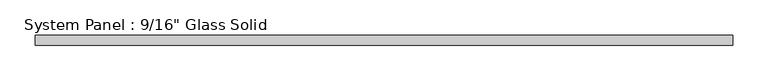
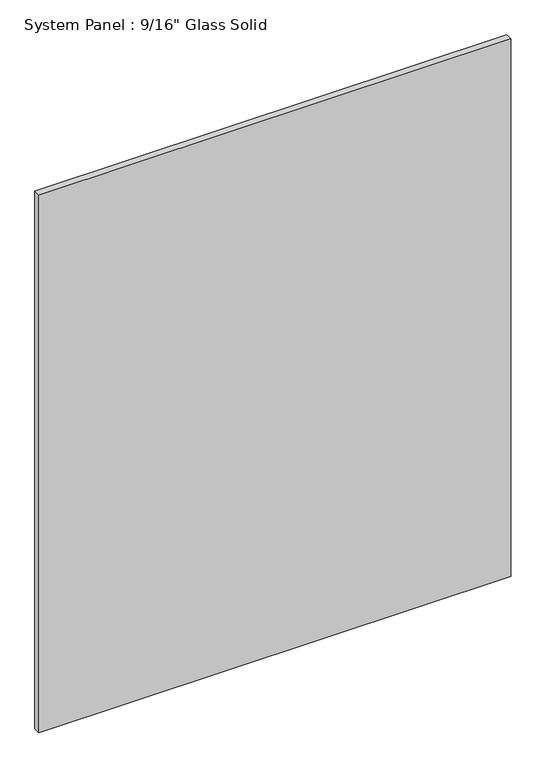
"""IFC4 building model written with IfcOpenShell, lengths in millimetres: plate geometry."""

from ifc_helpers import new_model, si_unit, origin, origin_with_axes, place, context, project, spatial, polyline, outline, extrude, source, transform, mapped, element, save


def plate_69ee796d(model_context):
    return source(origin(), model_context, "Body", "SweptSolid", [
        extrude(outline(polyline([(495.3008852, -7.14375), (-495.3008852, -7.14375), (-495.3008852, 7.14375), (495.3008852, 7.14375), (495.3008852, -7.14375)])), origin_with_axes(), (0.0, 0.0, 1.0), 1193.8017704),
    ])


if __name__ == "__main__":
    model = new_model("IFC4")
    model_context = context("Model", 3, world=origin())
    ifc_project = project(units=[si_unit("LENGTHUNIT", "METRE", prefix="MILLI")], contexts=[model_context])
    site = spatial("IfcSite", under=ifc_project)
    building = spatial("IfcBuilding", under=site)
    placement = place(None, origin())
    plate_shape = plate_69ee796d(model_context)
    element("IfcPlate", 1, ObjectType="System Panel : 9/16\" Glass Solid", at=placement, inside=building, context=model_context, shape_type="MappedRepresentation", body=[
        mapped(plate_shape, transform((0.0, 0.0, 0.0), x_axis=(1.0, 0.0, 0.0), y_axis=(0.0, 1.0, 0.0), z_axis=(0.0, 0.0, 1.0))),
    ])
    save(model, "model.ifc")
